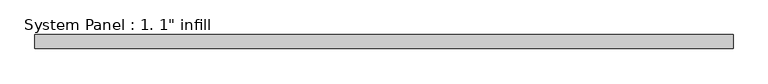
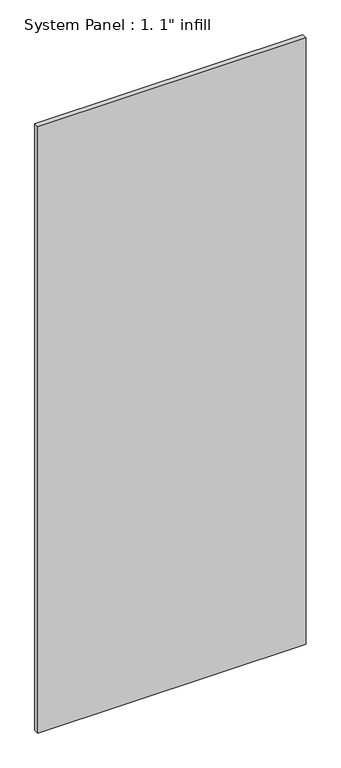
"""IFC4 building model written with IfcOpenShell, lengths in millimetres: plate geometry."""

import ifcopenshell
import ifcopenshell.guid

model = None  # the IFC model being written
_history = None  # IfcOwnerHistory: only IFC2X3 demands one
_inside = {}  # id of a spatial element -> (the spatial element, [elements in it])
_under = {}  # id of a project, library or spatial element -> (it, [spatial elements below it])
_declared = {}  # id of a project -> (the project, [libraries it declares])
_typed = {}  # id of a type object -> (the type object, [elements of that type])
_made_of = {}  # id of a material, layer set ... -> (it, [elements and type objects made of it])


def new_model(schema):
    """Start an empty IFC model of exactly this schema.

    Asked for "IFC4X3", IfcOpenShell would pick the latest addendum, in which some entities
    have other attributes; the version numbers below select the first issue.
    IFC2X3 requires an IfcOwnerHistory on every rooted entity: one is made here for all.
    """
    global model, _history
    if schema == "IFC4X3":
        model = ifcopenshell.file(schema_version=(4, 3, 0, 0))
    else:
        model = ifcopenshell.file(schema=schema)
    _inside.clear()
    _under.clear()
    _declared.clear()
    _typed.clear()
    _made_of.clear()
    _history = None
    if model.schema == "IFC2X3":
        org = make("IfcOrganization", Name="unknown")
        user = make(
            "IfcPersonAndOrganization",
            ThePerson=make("IfcPerson", FamilyName="unknown"),
            TheOrganization=org,
        )
        app = make(
            "IfcApplication",
            ApplicationDeveloper=org,
            Version="unknown",
            ApplicationFullName="unknown",
            ApplicationIdentifier="unknown",
        )
        _history = make(
            "IfcOwnerHistory",
            OwningUser=user,
            OwningApplication=app,
            ChangeAction="ADDED",
            CreationDate=0,
        )
    return model


def make(cls, **values):
    """One entity of the class cls with the attributes given. An attribute that is None is left unset."""
    return model.create_entity(
        cls, **{name: value for name, value in values.items() if value is not None}
    )


def rooted(cls, **values):
    """An entity with a GlobalId (a new one), such as an element, a storey or a relation."""
    return make(cls, GlobalId=ifcopenshell.guid.new(), OwnerHistory=_history, **values)


def si_unit(unit_type, name, prefix=None):
    """IfcSIUnit, for example si_unit("LENGTHUNIT", "METRE", prefix="MILLI")."""
    return make("IfcSIUnit", UnitType=unit_type, Prefix=prefix, Name=name)


def assignment(units):
    """IfcUnitAssignment: the units of a project."""
    return None if units is None else make("IfcUnitAssignment", Units=units)


def point(xyz):
    """IfcCartesianPoint."""
    return None if xyz is None else make("IfcCartesianPoint", Coordinates=xyz)


def direction(xyz):
    """IfcDirection."""
    return None if xyz is None else make("IfcDirection", DirectionRatios=xyz)


def frame(location, z_axis=None, x_axis=None):
    """IfcAxis2Placement3D, a coordinate frame: its origin and axes. An axis left out is left unset."""
    return make(
        "IfcAxis2Placement3D",
        Location=point(location),
        Axis=direction(z_axis),
        RefDirection=direction(x_axis),
    )


def origin():
    """The frame at (0, 0, 0) with its axes left unset."""
    return frame((0.0, 0.0, 0.0))


def origin_with_axes():
    """The frame at (0, 0, 0) with the z axis (0, 0, 1) and the x axis (1, 0, 0) written out."""
    return frame((0.0, 0.0, 0.0), z_axis=(0.0, 0.0, 1.0), x_axis=(1.0, 0.0, 0.0))


def place(relative_to, where):
    """IfcLocalPlacement: puts the frame where relative to a parent placement (None: the world)."""
    return make(
        "IfcLocalPlacement", PlacementRelTo=relative_to, RelativePlacement=where
    )


def context(
    kind, dimensions, precision=None, world=None, true_north=None, identifier=None
):
    """IfcGeometricRepresentationContext, for example the 3D "Model" context."""
    return make(
        "IfcGeometricRepresentationContext",
        ContextIdentifier=identifier,
        ContextType=kind,
        CoordinateSpaceDimension=dimensions,
        Precision=precision,
        WorldCoordinateSystem=world,
        TrueNorth=true_north,
    )


def project(units=None, contexts=None):
    """IfcProject with its units and contexts."""
    return rooted(
        "IfcProject",
        Name="project",
        RepresentationContexts=contexts,
        UnitsInContext=assignment(units),
    )


def spatial(cls, under=None, at=None, **own):
    """A site, building, storey or space (cls), placed at a placement, below another one or the project."""
    s = rooted(cls, ObjectPlacement=at, **own)
    if under is not None:
        _under.setdefault(under.id(), (under, []))[1].append(s)
    return s


def polyline(points):
    """IfcPolyline through the points."""
    return make("IfcPolyline", Points=[point(p) for p in points])


def outline(outer, holes=None, kind="AREA"):
    """IfcArbitraryClosedProfileDef: a profile drawn as a closed curve; with holes, ...WithVoids."""
    if holes is None:
        return make("IfcArbitraryClosedProfileDef", ProfileType=kind, OuterCurve=outer)
    return make(
        "IfcArbitraryProfileDefWithVoids",
        ProfileType=kind,
        OuterCurve=outer,
        InnerCurves=holes,
    )


def extrude(swept, where, along, depth):
    """IfcExtrudedAreaSolid: the profile swept, set in the frame where, extruded along a direction by depth."""
    return make(
        "IfcExtrudedAreaSolid",
        SweptArea=swept,
        Position=where,
        ExtrudedDirection=direction(along),
        Depth=depth,
    )


def shape(context_of_items, identifier, shape_type, items):
    """IfcShapeRepresentation: the items that make up one representation, for example the "Body"."""
    return make(
        "IfcShapeRepresentation",
        ContextOfItems=context_of_items,
        RepresentationIdentifier=identifier,
        RepresentationType=shape_type,
        Items=items,
    )


def source(mapping_origin, context_of_items, identifier, shape_type, items):
    """IfcRepresentationMap: a shape defined once, which mapped items show again and again."""
    return make(
        "IfcRepresentationMap",
        MappingOrigin=mapping_origin,
        MappedRepresentation=shape(context_of_items, identifier, shape_type, items),
    )


def transform(
    local_origin,
    x_axis=None,
    y_axis=None,
    z_axis=None,
    scale=None,
    scale2=None,
    scale3=None,
    uniform=True,
):
    """IfcCartesianTransformationOperator3D, or its non-uniform kind. x_axis, y_axis, z_axis: its Axis1, 2, 3."""
    if uniform:
        return make(
            "IfcCartesianTransformationOperator3D",
            Axis1=direction(x_axis),
            Axis2=direction(y_axis),
            LocalOrigin=point(local_origin),
            Scale=scale,
            Axis3=direction(z_axis),
        )
    return make(
        "IfcCartesianTransformationOperator3DnonUniform",
        Axis1=direction(x_axis),
        Axis2=direction(y_axis),
        LocalOrigin=point(local_origin),
        Scale=scale,
        Axis3=direction(z_axis),
        Scale2=scale2,
        Scale3=scale3,
    )


def mapped(mapping_source, mapping_target):
    """IfcMappedItem: shows the shape of a source again, moved by a transform."""
    return make(
        "IfcMappedItem", MappingSource=mapping_source, MappingTarget=mapping_target
    )


def made_of(thing, what):
    """Note that an element or type object is made of a material, layer set ...; save() writes the relation."""
    if what is not None:
        _made_of.setdefault(what.id(), (what, []))[1].append(thing)
    return thing


def element(
    cls,
    number,
    at=None,
    inside=None,
    cuts=None,
    type_object=None,
    material=None,
    context=None,
    identifier="Body",
    shape_type=None,
    held_by="IfcProductDefinitionShape",
    body=None,
    shapes=None,
    **own,
):
    """One element of the class cls, such as IfcWall. Its Tag is "e" and its number.

    at: its placement. inside: the storey or other place that contains it. cuts: it is an
    opening in that element (IfcRelVoidsElement). A single representation is given by context,
    identifier, shape_type and body (its items); several are given by shapes. held_by: the class
    of the entity that holds the representations. save() writes the other relations.
    """
    e = rooted(cls, Tag="e%d" % number, ObjectPlacement=at, **own)
    if body is not None:
        shapes = [shape(context, identifier, shape_type, body)]
    if shapes is not None:
        e.Representation = make(held_by, Representations=shapes)
    if inside is not None:
        _inside.setdefault(inside.id(), (inside, []))[1].append(e)
    if cuts is not None:
        rooted(
            "IfcRelVoidsElement", RelatingBuildingElement=cuts, RelatedOpeningElement=e
        )
    if type_object is not None:
        _typed.setdefault(type_object.id(), (type_object, []))[1].append(e)
    return made_of(e, material)


def aggregate(whole, parts):
    """IfcRelAggregates: a whole, such as a stair, and the parts it consists of."""
    return rooted("IfcRelAggregates", RelatingObject=whole, RelatedObjects=parts)


def save(model, path):
    """Write the relations noted so far, then the file.

    IfcRelAggregates (storeys below a building ...), IfcRelContainedInSpatialStructure (elements
    in a storey), IfcRelDefinesByType, IfcRelAssociatesMaterial and IfcRelDeclares: one each for
    every whole, place, type object, material and project.
    """
    for whole, parts in _under.values():
        aggregate(whole, parts)
    for where, things in _inside.values():
        rooted(
            "IfcRelContainedInSpatialStructure",
            RelatedElements=things,
            RelatingStructure=where,
        )
    for kind, things in _typed.values():
        rooted("IfcRelDefinesByType", RelatedObjects=things, RelatingType=kind)
    for what, things in _made_of.values():
        rooted("IfcRelAssociatesMaterial", RelatedObjects=things, RelatingMaterial=what)
    for by, libraries in _declared.values():
        rooted("IfcRelDeclares", RelatingContext=by, RelatedDefinitions=libraries)
    model.write(path)


def plate_9ed7739f(model_context):
    return source(origin(), model_context, "Body", "SweptSolid", [
        extrude(outline(polyline([(638.175, -12.7), (-638.175, -12.7), (-638.175, 12.7), (638.175, 12.7), (638.175, -12.7)])), origin_with_axes(), (0.0, 0.0, 1.0), 3048.0),
    ])


if __name__ == "__main__":
    model = new_model("IFC4")
    model_context = context("Model", 3, world=origin())
    ifc_project = project(units=[si_unit("LENGTHUNIT", "METRE", prefix="MILLI")], contexts=[model_context])
    site = spatial("IfcSite", under=ifc_project)
    building = spatial("IfcBuilding", under=site)
    placement = place(None, origin())
    plate_shape = plate_9ed7739f(model_context)
    element("IfcPlate", 1, ObjectType="System Panel : 1. 1\" infill", at=placement, inside=building, context=model_context, shape_type="MappedRepresentation", body=[
        mapped(plate_shape, transform((0.0, 0.0, 0.0), x_axis=(1.0, 0.0, 0.0), y_axis=(0.0, 1.0, 0.0), z_axis=(0.0, 0.0, 1.0))),
    ])
    save(model, "model.ifc")
